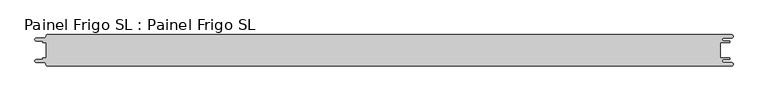
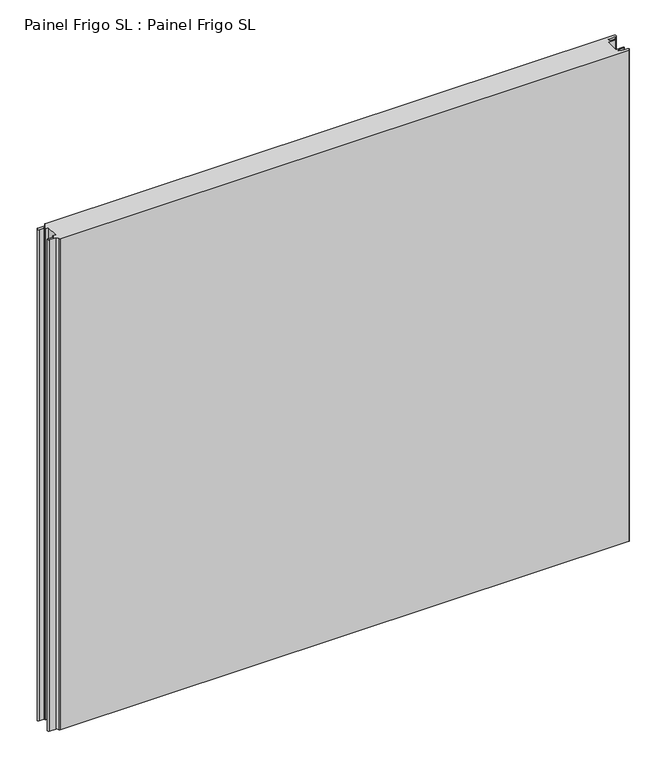
"""IFC4 building model written with IfcOpenShell, lengths in millimetres: proxy geometry, Painel Frigo SL : Painel Frigo SL."""

from ifc_helpers import new_model, si_unit, frame, origin, place, context, project, spatial, polyline, circle_curve, source, transform, mapped, element, save
from ifc_brep_helpers import plane_surface, cylinder_surface, revolved_surface, advanced_brep


def painel_frigo_sl_painel_frigo_sl_2b3f4b92(model_context):
    return source(origin(), model_context, "Body", "AdvancedBrep", [
        advanced_brep(
        [(-554.5874998, 12.3, 1000.0), (-549.2999612, 12.3, 1000.0), (-549.2999612, -12.2999995, 1000.0), (-554.5874998, -12.2999995, 1000.0), (-555.1875003, -12.9, 1000.0), (-555.1875003, -13.7085185, 1000.0), (-556.5875003, -15.1085185, 1000.0), (-565.565625, -15.1085185, 1000.0), (-565.565625, -19.5085185, 1000.0), (-553.55, -19.5085185, 1000.0), (-550.0, -23.0585185, 1000.0), (-548.05, -25.0, 1000.0), (546.89375, -25.0, 1000.0), (546.89375, -19.725, 1000.0), (534.45625, -19.725, 1000.0), (534.45625, -14.875, 1000.0), (543.1187503, -14.875, 1000.0), (543.1187503, -12.3, 1000.0), (529.2687503, -12.3, 1000.0), (529.2687503, 12.3, 1000.0), (543.1187503, 12.3, 1000.0), (543.1187503, 14.875, 1000.0), (534.45625, 14.875, 1000.0), (534.45625, 19.725, 1000.0), (546.89375, 19.725, 1000.0), (546.89375, 25.0, 1000.0), (-548.05, 25.0, 1000.0), (-550.0, 23.05, 1000.0), (-553.55, 19.5085185, 1000.0), (-565.565625, 19.5085185, 1000.0), (-565.565625, 15.1085187, 1000.0), (-556.5875001, 15.1085187, 1000.0), (-555.1874998, 13.7085184, 1000.0), (-555.1874998, 12.9, 1000.0), (-554.5874998, 12.3, 0.0), (-555.1874998, 12.9, 0.0), (-555.1874998, 13.7085184, 0.0), (-556.5875001, 15.1085187, 0.0), (-565.565625, 15.1085187, 0.0), (-565.565625, 19.5085185, 0.0), (-553.55, 19.5085185, 0.0), (-550.0, 23.0585185, 0.0), (-548.05, 25.0, 0.0), (546.89375, 25.0, 0.0), (546.89375, 19.725, 0.0), (534.45625, 19.725, 0.0), (534.45625, 14.875, 0.0), (543.1187503, 14.875, 0.0), (543.1187503, 12.3, 0.0), (529.2687503, 12.3, 0.0), (529.2687503, -12.3, 0.0), (543.1187503, -12.3, 0.0), (543.1187503, -14.875, 0.0), (534.45625, -14.875, 0.0), (534.45625, -19.725, 0.0), (546.89375, -19.725, 0.0), (546.89375, -25.0, 0.0), (-548.05, -25.0, 0.0), (-550.0, -23.05, 0.0), (-553.55, -19.5085185, 0.0), (-565.565625, -19.5085185, 0.0), (-565.565625, -15.1085185, 0.0), (-556.5875003, -15.1085185, 0.0), (-555.1875003, -13.7085185, 0.0), (-555.1875003, -12.9, 0.0), (-554.5874998, -12.2999995, 0.0), (-549.2999612, -12.2999995, 0.0), (-549.2999612, 12.3, 0.0)],
        [
            (0, 1),
            (1, 2),
            (2, 3),
            (3, 4, circle_curve(frame((-554.5874998, -12.9, 1000.0), z_axis=(0.0, 0.0, 1.0), x_axis=(1.0, 0.0, 0.0)), 0.6000005)),
            (4, 5),
            (5, 6, circle_curve(frame((-556.5875003, -13.7085185, 1000.0), z_axis=(0.0, 0.0, -1.0), x_axis=(1.0, 0.0, 0.0)), 1.4)),
            (6, 7),
            (7, 8, circle_curve(frame((-565.565625, -17.3085185, 1000.0), z_axis=(0.0, 0.0, 1.0), x_axis=(1.0, 0.0, 0.0)), 2.2)),
            (8, 9),
            (9, 10, circle_curve(frame((-553.55, -23.0585185, 1000.0), z_axis=(0.0, 0.0, -1.0), x_axis=(1.0, 0.0, 0.0)), 3.55)),
            (10, 11, circle_curve(frame((-548.05, -23.05, 1000.0), z_axis=(0.0, 0.0, 1.0), x_axis=(1.0, 0.0, 0.0)), 1.95)),
            (11, 12),
            (12, 13, circle_curve(frame((546.89375, -22.3625, 1000.0), z_axis=(0.0, 0.0, 1.0), x_axis=(1.0, 0.0, 0.0)), 2.6375)),
            (13, 14),
            (14, 15, circle_curve(frame((534.45625, -17.3, 1000.0), z_axis=(0.0, 0.0, -1.0), x_axis=(1.0, 0.0, 0.0)), 2.425)),
            (15, 16),
            (16, 17, circle_curve(frame((543.1187503, -13.5875, 1000.0), z_axis=(0.0, 0.0, 1.0), x_axis=(1.0, 0.0, 0.0)), 1.2875)),
            (17, 18),
            (18, 19),
            (19, 20),
            (20, 21, circle_curve(frame((543.1187503, 13.5875, 1000.0), z_axis=(0.0, 0.0, 1.0), x_axis=(1.0, 0.0, 0.0)), 1.2875)),
            (21, 22),
            (22, 23, circle_curve(frame((534.45625, 17.3, 1000.0), z_axis=(0.0, 0.0, -1.0), x_axis=(1.0, 0.0, 0.0)), 2.425)),
            (23, 24),
            (24, 25, circle_curve(frame((546.89375, 22.3625, 1000.0), z_axis=(0.0, 0.0, 1.0), x_axis=(1.0, 0.0, 0.0)), 2.6375)),
            (25, 26),
            (26, 27, circle_curve(frame((-548.05, 23.05, 1000.0), z_axis=(0.0, 0.0, 1.0), x_axis=(1.0, 0.0, 0.0)), 1.95)),
            (27, 28, circle_curve(frame((-553.55, 23.0585185, 1000.0), z_axis=(0.0, 0.0, -1.0), x_axis=(1.0, 0.0, 0.0)), 3.55)),
            (28, 29),
            (29, 30, circle_curve(frame((-565.565625, 17.3085186, 1000.0), z_axis=(0.0, 0.0, 1.0), x_axis=(1.0, 0.0, 0.0)), 2.1999999)),
            (30, 31),
            (31, 32, circle_curve(frame((-556.5875001, 13.7085184, 1000.0), z_axis=(0.0, 0.0, -1.0), x_axis=(1.0, 0.0, 0.0)), 1.4000003)),
            (32, 33),
            (33, 0, circle_curve(frame((-554.5874998, 12.9, 1000.0), z_axis=(0.0, 0.0, 1.0), x_axis=(1.0, 0.0, 0.0)), 0.6)),
            (34, 35, circle_curve(frame((-554.5874998, 12.9, 0.0), z_axis=(0.0, 0.0, -1.0), x_axis=(1.0, 0.0, 0.0)), 0.6)),
            (35, 36),
            (36, 37, circle_curve(frame((-556.5875001, 13.7085184, 0.0), z_axis=(0.0, 0.0, 1.0), x_axis=(1.0, 0.0, 0.0)), 1.4000003)),
            (37, 38),
            (38, 39, circle_curve(frame((-565.565625, 17.3085186, 0.0), z_axis=(0.0, 0.0, -1.0), x_axis=(1.0, 0.0, 0.0)), 2.1999999)),
            (39, 40),
            (40, 41, circle_curve(frame((-553.55, 23.0585185, 0.0), z_axis=(0.0, 0.0, 1.0), x_axis=(1.0, 0.0, 0.0)), 3.55)),
            (41, 42, circle_curve(frame((-548.05, 23.05, 0.0), z_axis=(0.0, 0.0, -1.0), x_axis=(1.0, 0.0, 0.0)), 1.95)),
            (42, 43),
            (43, 44, circle_curve(frame((546.89375, 22.3625, 0.0), z_axis=(0.0, 0.0, -1.0), x_axis=(1.0, 0.0, 0.0)), 2.6375)),
            (44, 45),
            (45, 46, circle_curve(frame((534.45625, 17.3, 0.0), z_axis=(0.0, 0.0, 1.0), x_axis=(1.0, 0.0, 0.0)), 2.425)),
            (46, 47),
            (47, 48, circle_curve(frame((543.1187503, 13.5875, 0.0), z_axis=(0.0, 0.0, -1.0), x_axis=(1.0, 0.0, 0.0)), 1.2875)),
            (48, 49),
            (49, 50),
            (50, 51),
            (51, 52, circle_curve(frame((543.1187503, -13.5875, 0.0), z_axis=(0.0, 0.0, -1.0), x_axis=(1.0, 0.0, 0.0)), 1.2875)),
            (52, 53),
            (53, 54, circle_curve(frame((534.45625, -17.3, 0.0), z_axis=(0.0, 0.0, 1.0), x_axis=(1.0, 0.0, 0.0)), 2.425)),
            (54, 55),
            (55, 56, circle_curve(frame((546.89375, -22.3625, 0.0), z_axis=(0.0, 0.0, -1.0), x_axis=(1.0, 0.0, 0.0)), 2.6375)),
            (56, 57),
            (57, 58, circle_curve(frame((-548.05, -23.05, 0.0), z_axis=(0.0, 0.0, -1.0), x_axis=(1.0, 0.0, 0.0)), 1.95)),
            (58, 59, circle_curve(frame((-553.55, -23.0585185, 0.0), z_axis=(0.0, 0.0, 1.0), x_axis=(1.0, 0.0, 0.0)), 3.55)),
            (59, 60),
            (60, 61, circle_curve(frame((-565.565625, -17.3085185, 0.0), z_axis=(0.0, 0.0, -1.0), x_axis=(1.0, 0.0, 0.0)), 2.2)),
            (61, 62),
            (62, 63, circle_curve(frame((-556.5875003, -13.7085185, 0.0), z_axis=(0.0, 0.0, 1.0), x_axis=(1.0, 0.0, 0.0)), 1.4)),
            (63, 64),
            (64, 65, circle_curve(frame((-554.5874998, -12.9, 0.0), z_axis=(0.0, 0.0, -1.0), x_axis=(1.0, 0.0, 0.0)), 0.6000005)),
            (65, 66),
            (66, 67),
            (67, 34),
            (0, 34),
            (67, 1),
            (66, 2),
            (65, 3),
            (64, 4),
            (63, 5),
            (62, 6),
            (61, 7),
            (60, 8),
            (59, 9),
            (58, 10),
            (57, 11),
            (56, 12),
            (18, 50),
            (49, 19),
            (48, 20),
            (47, 21),
            (46, 22),
            (45, 23),
            (44, 24),
            (43, 25),
            (42, 26),
            (41, 27),
            (40, 28),
            (39, 29),
            (38, 30),
            (37, 31),
            (36, 32),
            (35, 33),
            (55, 13),
            (54, 14),
            (53, 15),
            (52, 16),
            (51, 17),
        ],
        [
            plane_surface(frame((-549.2999612, 12.3, 1000.0), z_axis=(0.0, 0.0, 1.0), x_axis=(1.0, 0.0, 0.0))),
            plane_surface(frame((-549.2999612, 12.3, 0.0), z_axis=(0.0, 0.0, -1.0), x_axis=(-1.0, 0.0, 0.0))),
            plane_surface(frame((-554.5874998, 12.3, 1000.0), z_axis=(0.0, -1.0, 0.0), x_axis=(0.0, 0.0, -1.0))),
            plane_surface(frame((-549.2999612, 12.3, 1000.0), z_axis=(-1.0, 0.0, 0.0), x_axis=(0.0, 0.0, -1.0))),
            plane_surface(frame((-549.2999612, -12.2999995, 1000.0), z_axis=(0.0, 1.0, 0.0), x_axis=(0.0, 0.0, -1.0))),
            cylinder_surface(frame((-554.5874998, -12.9, 0.0), z_axis=(0.0, 0.0, 1.0), x_axis=(1.0, 0.0, 0.0)), 0.6000005),
            plane_surface(frame((-555.1875003, -12.9, 1000.0), z_axis=(-1.0, 1.7578608662329016e-12, 0.0), x_axis=(0.0, 0.0, -1.0))),
            revolved_surface(polyline([(-555.1875003, -13.7085185, 0.0), (-555.1875003, -13.7085185, 1000.0)]), (-556.5875003, -13.7085185, 0.0), (0.0, 0.0, -1.0)),
            plane_surface(frame((-556.5875003, -15.1085185, 1000.0), z_axis=(0.0, 1.0, 0.0), x_axis=(0.0, 0.0, -1.0))),
            cylinder_surface(frame((-565.565625, -17.3085185, 0.0), z_axis=(0.0, 0.0, 1.0), x_axis=(1.0, 0.0, 0.0)), 2.2),
            plane_surface(frame((-565.565625, -19.5085185, 1000.0), z_axis=(0.0, -1.0, 0.0), x_axis=(0.0, 0.0, -1.0))),
            revolved_surface(polyline([(-550.0, -23.0585185, 0.0), (-550.0, -23.0585185, 1000.0)]), (-553.55, -23.0585185, 0.0), (0.0, 0.0, -1.0)),
            cylinder_surface(frame((-548.05, -23.05, 0.0), z_axis=(0.0, 0.0, 1.0), x_axis=(1.0, 0.0, 0.0)), 1.95),
            plane_surface(frame((-548.05, -25.0, 1000.0), z_axis=(0.0, -1.0, 0.0), x_axis=(0.0, 0.0, -1.0))),
            plane_surface(frame((529.2687503, -12.3, 1000.0), z_axis=(1.0, 0.0, 0.0), x_axis=(0.0, 0.0, -1.0))),
            plane_surface(frame((529.2687503, 12.3, 1000.0), z_axis=(0.0, -1.0, 0.0), x_axis=(0.0, 0.0, -1.0))),
            cylinder_surface(frame((543.1187503, 13.5875, 0.0), z_axis=(0.0, 0.0, 1.0), x_axis=(1.0, 0.0, 0.0)), 1.2875),
            plane_surface(frame((543.1187503, 14.875, 1000.0), z_axis=(0.0, 1.0, 0.0), x_axis=(0.0, 0.0, -1.0))),
            revolved_surface(polyline([(536.8812499999999, 17.3, 0.0), (536.8812499999999, 17.3, 1000.0)]), (534.45625, 17.3, 0.0), (0.0, 0.0, -1.0)),
            plane_surface(frame((534.45625, 19.725, 1000.0), z_axis=(0.0, -1.0, 0.0), x_axis=(0.0, 0.0, -1.0))),
            cylinder_surface(frame((546.89375, 22.3625, 0.0), z_axis=(0.0, 0.0, 1.0), x_axis=(1.0, 0.0, 0.0)), 2.6375),
            plane_surface(frame((546.89375, 25.0, 1000.0), z_axis=(0.0, 1.0, 0.0), x_axis=(0.0, 0.0, -1.0))),
            cylinder_surface(frame((-548.05, 23.05, 0.0), z_axis=(0.0, 0.0, 1.0), x_axis=(1.0, 0.0, 0.0)), 1.95),
            revolved_surface(polyline([(-550.0, 23.0585185, 0.0), (-550.0, 23.0585185, 1000.0)]), (-553.55, 23.0585185, 0.0), (0.0, 0.0, -1.0)),
            plane_surface(frame((-553.55, 19.5085185, 1000.0), z_axis=(0.0, 1.0, 0.0), x_axis=(0.0, 0.0, -1.0))),
            cylinder_surface(frame((-565.565625, 17.3085186, 0.0), z_axis=(0.0, 0.0, 1.0), x_axis=(1.0, 0.0, 0.0)), 2.1999999),
            plane_surface(frame((-565.565625, 15.1085187, 1000.0), z_axis=(0.0, -1.0, 0.0), x_axis=(0.0, 0.0, -1.0))),
            revolved_surface(polyline([(-555.1874998000001, 13.7085184, 0.0), (-555.1874998000001, 13.7085184, 1000.0)]), (-556.5875001, 13.7085184, 0.0), (0.0, 0.0, -1.0)),
            plane_surface(frame((-555.1874998, 13.7085184, 1000.0), z_axis=(-1.0, 0.0, 0.0), x_axis=(0.0, 0.0, -1.0))),
            cylinder_surface(frame((-554.5874998, 12.9, 0.0), z_axis=(0.0, 0.0, 1.0), x_axis=(1.0, 0.0, 0.0)), 0.6),
            cylinder_surface(frame((546.89375, -22.3625, 0.0), z_axis=(0.0, 0.0, 1.0), x_axis=(1.0, 0.0, 0.0)), 2.6375),
            plane_surface(frame((546.89375, -19.725, 1000.0), z_axis=(0.0, 1.0, 0.0), x_axis=(0.0, 0.0, -1.0))),
            revolved_surface(polyline([(536.8812499999999, -17.3, 0.0), (536.8812499999999, -17.3, 1000.0)]), (534.45625, -17.3, 0.0), (0.0, 0.0, -1.0)),
            plane_surface(frame((534.45625, -14.875, 1000.0), z_axis=(0.0, -1.0, 0.0), x_axis=(0.0, 0.0, -1.0))),
            cylinder_surface(frame((543.1187503, -13.5875, 0.0), z_axis=(0.0, 0.0, 1.0), x_axis=(1.0, 0.0, 0.0)), 1.2875),
            plane_surface(frame((543.1187503, -12.3, 1000.0), z_axis=(0.0, 1.0, 0.0), x_axis=(0.0, 0.0, -1.0))),
        ],
        [
            (0, [[1, 2, 3, 4, 5, 6, 7, 8, 9, 10, 11, 12, 13, 14, 15, 16, 17, 18, 19, 20, 21, 22, 23, 24, 25, 26, 27, 28, 29, 30, 31, 32, 33, 34]]),
            (1, [[35, 36, 37, 38, 39, 40, 41, 42, 43, 44, 45, 46, 47, 48, 49, 50, 51, 52, 53, 54, 55, 56, 57, 58, 59, 60, 61, 62, 63, 64, 65, 66, 67, 68]]),
            (2, [[-1, 69, -68, 70]]),
            (3, [[-2, -70, -67, 71]]),
            (4, [[-3, -71, -66, 72]]),
            (5, [[-4, -72, -65, 73]]),
            (6, [[-5, -73, -64, 74]]),
            (7, [[-6, -74, -63, 75]]),
            (8, [[-7, -75, -62, 76]]),
            (9, [[-8, -76, -61, 77]]),
            (10, [[-9, -77, -60, 78]]),
            (11, [[-10, -78, -59, 79]]),
            (12, [[-11, -79, -58, 80]]),
            (13, [[-12, -80, -57, 81]]),
            (14, [[-19, 82, -50, 83]]),
            (15, [[-20, -83, -49, 84]]),
            (16, [[-21, -84, -48, 85]]),
            (17, [[-22, -85, -47, 86]]),
            (18, [[-23, -86, -46, 87]]),
            (19, [[-24, -87, -45, 88]]),
            (20, [[-25, -88, -44, 89]]),
            (21, [[-26, -89, -43, 90]]),
            (22, [[-27, -90, -42, 91]]),
            (23, [[-28, -91, -41, 92]]),
            (24, [[-29, -92, -40, 93]]),
            (25, [[-30, -93, -39, 94]]),
            (26, [[-31, -94, -38, 95]]),
            (27, [[-32, -95, -37, 96]]),
            (28, [[-33, -96, -36, 97]]),
            (29, [[-34, -97, -35, -69]]),
            (30, [[-13, -81, -56, 98]]),
            (31, [[-14, -98, -55, 99]]),
            (32, [[-15, -99, -54, 100]]),
            (33, [[-16, -100, -53, 101]]),
            (34, [[-17, -101, -52, 102]]),
            (35, [[-18, -102, -51, -82]]),
        ],
    ),
    ])


if __name__ == "__main__":
    model = new_model("IFC4")
    model_context = context("Model", 3, world=origin())
    ifc_project = project(units=[si_unit("LENGTHUNIT", "METRE", prefix="MILLI")], contexts=[model_context])
    site = spatial("IfcSite", under=ifc_project)
    building = spatial("IfcBuilding", under=site)
    placement = place(None, origin())
    painel_frigo_sl_painel_frigo_sl_shape = painel_frigo_sl_painel_frigo_sl_2b3f4b92(model_context)
    element("IfcBuildingElementProxy", 1, Name="Painel Frigo SL : Painel Frigo SL", ObjectType="Painel Frigo SL : Painel Frigo SL", at=placement, inside=building, context=model_context, shape_type="MappedRepresentation", body=[
        mapped(painel_frigo_sl_painel_frigo_sl_shape, transform((0.0, 0.0, 0.0), x_axis=(1.0, 0.0, 0.0), y_axis=(0.0, 1.0, 0.0), z_axis=(0.0, 0.0, 1.0))),
    ])
    save(model, "model.ifc")
